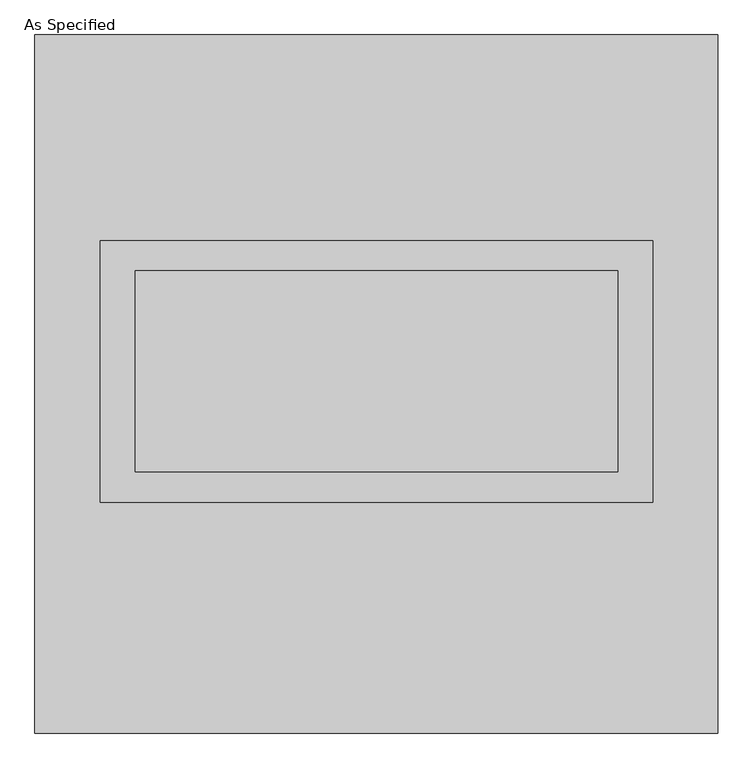
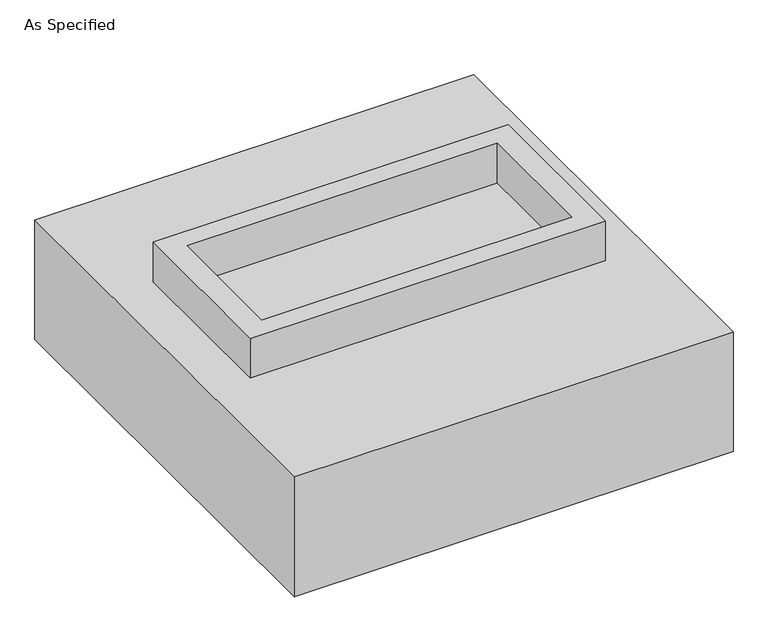
"""IFC4 building model written with IfcOpenShell, lengths in millimetres: proxy geometry, As Specified."""

from ifc_helpers import new_model, si_unit, frame, origin, place, context, project, spatial, polyline, outline, extrude, faceted_brep, source, transform, mapped, element, save


def as_specified_e3605492(model_context):
    return source(origin(), model_context, "Body", "SolidModel", [
        extrude(outline(polyline([(698.5, 361.95), (698.5, -298.45), (-698.5, -298.45), (-698.5, 361.95), (698.5, 361.95)]), holes=[polyline([(609.6, 285.75), (-609.6, 285.75), (-609.6, -222.25), (609.6, -222.25), (609.6, 285.75)])]), frame((0.0, 0.0, -25.4), z_axis=(0.0, 0.0, 1.0), x_axis=(1.0, 0.0, 0.0)), (0.0, 0.0, 1.0), 165.1),
        extrude(outline(polyline([(609.6, 285.75), (609.6, -222.25), (-609.6, -222.25), (-609.6, 285.75), (609.6, 285.75)])), frame((0.0, 0.0, -30.3609375), z_axis=(0.0, 0.0, 1.0), x_axis=(1.0, 0.0, 0.0)), (0.0, 0.0, 1.0), 4.9609375),
        faceted_brep([(863.6, -882.65, -523.875), (-863.6, -882.65, -523.875), (-863.6, 882.65, -523.875), (863.6, 882.65, -523.875), (863.6, 882.65, -25.4), (-863.6, 882.65, -25.4), (-863.6, -882.65, -25.4), (863.6, -882.65, -25.4), (698.5, 361.95, -25.4), (698.5, -298.45, -25.4), (-698.5, -298.45, -25.4), (-698.5, 361.95, -25.4), (698.5, 361.95, -498.475), (-698.5, 361.95, -498.475), (-698.5, -298.45, -498.475), (698.5, -298.45, -498.475)], [[[0, 1, 2, 3]], [[4, 5, 6, 7], [8, 9, 10, 11]], [[3, 2, 5, 4]], [[2, 1, 6, 5]], [[0, 3, 4, 7]], [[12, 13, 14, 15]], [[14, 13, 11, 10]], [[13, 12, 8, 11]], [[12, 15, 9, 8]], [[10, 9, 15, 14]], [[1, 0, 7, 6]]]),
    ])


if __name__ == "__main__":
    model = new_model("IFC4")
    model_context = context("Model", 3, world=origin())
    ifc_project = project(units=[si_unit("LENGTHUNIT", "METRE", prefix="MILLI")], contexts=[model_context])
    site = spatial("IfcSite", under=ifc_project)
    building = spatial("IfcBuilding", under=site)
    placement = place(None, origin())
    as_specified_shape = as_specified_e3605492(model_context)
    element("IfcBuildingElementProxy", 1, Name="As Specified", ObjectType="As Specified", at=placement, inside=building, context=model_context, shape_type="MappedRepresentation", body=[
        mapped(as_specified_shape, transform((0.0, 0.0, 0.0), x_axis=(1.0, 0.0, 0.0), y_axis=(0.0, 1.0, 0.0), z_axis=(0.0, 0.0, 1.0))),
    ])
    save(model, "model.ifc")
